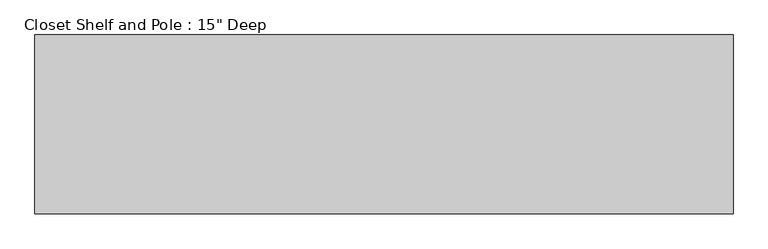
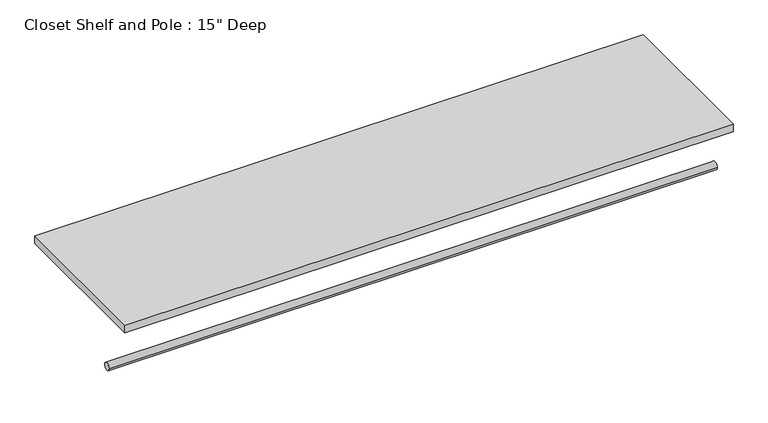
"""IFC4 building model written with IfcOpenShell, lengths in millimetres: proxy geometry."""

import ifcopenshell
import ifcopenshell.guid

model = None  # the IFC model being written
_history = None  # IfcOwnerHistory: only IFC2X3 demands one
_inside = {}  # id of a spatial element -> (the spatial element, [elements in it])
_under = {}  # id of a project, library or spatial element -> (it, [spatial elements below it])
_declared = {}  # id of a project -> (the project, [libraries it declares])
_typed = {}  # id of a type object -> (the type object, [elements of that type])
_made_of = {}  # id of a material, layer set ... -> (it, [elements and type objects made of it])


def new_model(schema):
    """Start an empty IFC model of exactly this schema.

    Asked for "IFC4X3", IfcOpenShell would pick the latest addendum, in which some entities
    have other attributes; the version numbers below select the first issue.
    IFC2X3 requires an IfcOwnerHistory on every rooted entity: one is made here for all.
    """
    global model, _history
    if schema == "IFC4X3":
        model = ifcopenshell.file(schema_version=(4, 3, 0, 0))
    else:
        model = ifcopenshell.file(schema=schema)
    _inside.clear()
    _under.clear()
    _declared.clear()
    _typed.clear()
    _made_of.clear()
    _history = None
    if model.schema == "IFC2X3":
        org = make("IfcOrganization", Name="unknown")
        user = make(
            "IfcPersonAndOrganization",
            ThePerson=make("IfcPerson", FamilyName="unknown"),
            TheOrganization=org,
        )
        app = make(
            "IfcApplication",
            ApplicationDeveloper=org,
            Version="unknown",
            ApplicationFullName="unknown",
            ApplicationIdentifier="unknown",
        )
        _history = make(
            "IfcOwnerHistory",
            OwningUser=user,
            OwningApplication=app,
            ChangeAction="ADDED",
            CreationDate=0,
        )
    return model


def make(cls, **values):
    """One entity of the class cls with the attributes given. An attribute that is None is left unset."""
    return model.create_entity(
        cls, **{name: value for name, value in values.items() if value is not None}
    )


def rooted(cls, **values):
    """An entity with a GlobalId (a new one), such as an element, a storey or a relation."""
    return make(cls, GlobalId=ifcopenshell.guid.new(), OwnerHistory=_history, **values)


def si_unit(unit_type, name, prefix=None):
    """IfcSIUnit, for example si_unit("LENGTHUNIT", "METRE", prefix="MILLI")."""
    return make("IfcSIUnit", UnitType=unit_type, Prefix=prefix, Name=name)


def assignment(units):
    """IfcUnitAssignment: the units of a project."""
    return None if units is None else make("IfcUnitAssignment", Units=units)


def point(xyz):
    """IfcCartesianPoint."""
    return None if xyz is None else make("IfcCartesianPoint", Coordinates=xyz)


def direction(xyz):
    """IfcDirection."""
    return None if xyz is None else make("IfcDirection", DirectionRatios=xyz)


def frame(location, z_axis=None, x_axis=None):
    """IfcAxis2Placement3D, a coordinate frame: its origin and axes. An axis left out is left unset."""
    return make(
        "IfcAxis2Placement3D",
        Location=point(location),
        Axis=direction(z_axis),
        RefDirection=direction(x_axis),
    )


def frame_2d(location, x_axis=None):
    """IfcAxis2Placement2D, a coordinate frame in the plane: its origin and x axis."""
    return make(
        "IfcAxis2Placement2D", Location=point(location), RefDirection=direction(x_axis)
    )


def origin():
    """The frame at (0, 0, 0) with its axes left unset."""
    return frame((0.0, 0.0, 0.0))


def place(relative_to, where):
    """IfcLocalPlacement: puts the frame where relative to a parent placement (None: the world)."""
    return make(
        "IfcLocalPlacement", PlacementRelTo=relative_to, RelativePlacement=where
    )


def context(
    kind, dimensions, precision=None, world=None, true_north=None, identifier=None
):
    """IfcGeometricRepresentationContext, for example the 3D "Model" context."""
    return make(
        "IfcGeometricRepresentationContext",
        ContextIdentifier=identifier,
        ContextType=kind,
        CoordinateSpaceDimension=dimensions,
        Precision=precision,
        WorldCoordinateSystem=world,
        TrueNorth=true_north,
    )


def project(units=None, contexts=None):
    """IfcProject with its units and contexts."""
    return rooted(
        "IfcProject",
        Name="project",
        RepresentationContexts=contexts,
        UnitsInContext=assignment(units),
    )


def spatial(cls, under=None, at=None, **own):
    """A site, building, storey or space (cls), placed at a placement, below another one or the project."""
    s = rooted(cls, ObjectPlacement=at, **own)
    if under is not None:
        _under.setdefault(under.id(), (under, []))[1].append(s)
    return s


def polyline(points):
    """IfcPolyline through the points."""
    return make("IfcPolyline", Points=[point(p) for p in points])


def circle_curve(where, radius):
    """IfcCircle in the frame where."""
    return make("IfcCircle", Position=where, Radius=radius)


def trimmed(basis, trim1, trim2, sense, master):
    """IfcTrimmedCurve: the piece of a basis curve between two trims."""
    return make(
        "IfcTrimmedCurve",
        BasisCurve=basis,
        Trim1=trim1,
        Trim2=trim2,
        SenseAgreement=sense,
        MasterRepresentation=master,
    )


def segment(curve, same_sense, transition):
    """IfcCompositeCurveSegment."""
    return make(
        "IfcCompositeCurveSegment",
        Transition=transition,
        SameSense=same_sense,
        ParentCurve=curve,
    )


def composite_curve(segments, self_intersect=None):
    """IfcCompositeCurve: segments joined end to end."""
    return make("IfcCompositeCurve", Segments=segments, SelfIntersect=self_intersect)


def outline(outer, holes=None, kind="AREA"):
    """IfcArbitraryClosedProfileDef: a profile drawn as a closed curve; with holes, ...WithVoids."""
    if holes is None:
        return make("IfcArbitraryClosedProfileDef", ProfileType=kind, OuterCurve=outer)
    return make(
        "IfcArbitraryProfileDefWithVoids",
        ProfileType=kind,
        OuterCurve=outer,
        InnerCurves=holes,
    )


def extrude(swept, where, along, depth):
    """IfcExtrudedAreaSolid: the profile swept, set in the frame where, extruded along a direction by depth."""
    return make(
        "IfcExtrudedAreaSolid",
        SweptArea=swept,
        Position=where,
        ExtrudedDirection=direction(along),
        Depth=depth,
    )


def shape(context_of_items, identifier, shape_type, items):
    """IfcShapeRepresentation: the items that make up one representation, for example the "Body"."""
    return make(
        "IfcShapeRepresentation",
        ContextOfItems=context_of_items,
        RepresentationIdentifier=identifier,
        RepresentationType=shape_type,
        Items=items,
    )


def source(mapping_origin, context_of_items, identifier, shape_type, items):
    """IfcRepresentationMap: a shape defined once, which mapped items show again and again."""
    return make(
        "IfcRepresentationMap",
        MappingOrigin=mapping_origin,
        MappedRepresentation=shape(context_of_items, identifier, shape_type, items),
    )


def transform(
    local_origin,
    x_axis=None,
    y_axis=None,
    z_axis=None,
    scale=None,
    scale2=None,
    scale3=None,
    uniform=True,
):
    """IfcCartesianTransformationOperator3D, or its non-uniform kind. x_axis, y_axis, z_axis: its Axis1, 2, 3."""
    if uniform:
        return make(
            "IfcCartesianTransformationOperator3D",
            Axis1=direction(x_axis),
            Axis2=direction(y_axis),
            LocalOrigin=point(local_origin),
            Scale=scale,
            Axis3=direction(z_axis),
        )
    return make(
        "IfcCartesianTransformationOperator3DnonUniform",
        Axis1=direction(x_axis),
        Axis2=direction(y_axis),
        LocalOrigin=point(local_origin),
        Scale=scale,
        Axis3=direction(z_axis),
        Scale2=scale2,
        Scale3=scale3,
    )


def mapped(mapping_source, mapping_target):
    """IfcMappedItem: shows the shape of a source again, moved by a transform."""
    return make(
        "IfcMappedItem", MappingSource=mapping_source, MappingTarget=mapping_target
    )


def made_of(thing, what):
    """Note that an element or type object is made of a material, layer set ...; save() writes the relation."""
    if what is not None:
        _made_of.setdefault(what.id(), (what, []))[1].append(thing)
    return thing


def element(
    cls,
    number,
    at=None,
    inside=None,
    cuts=None,
    type_object=None,
    material=None,
    context=None,
    identifier="Body",
    shape_type=None,
    held_by="IfcProductDefinitionShape",
    body=None,
    shapes=None,
    **own,
):
    """One element of the class cls, such as IfcWall. Its Tag is "e" and its number.

    at: its placement. inside: the storey or other place that contains it. cuts: it is an
    opening in that element (IfcRelVoidsElement). A single representation is given by context,
    identifier, shape_type and body (its items); several are given by shapes. held_by: the class
    of the entity that holds the representations. save() writes the other relations.
    """
    e = rooted(cls, Tag="e%d" % number, ObjectPlacement=at, **own)
    if body is not None:
        shapes = [shape(context, identifier, shape_type, body)]
    if shapes is not None:
        e.Representation = make(held_by, Representations=shapes)
    if inside is not None:
        _inside.setdefault(inside.id(), (inside, []))[1].append(e)
    if cuts is not None:
        rooted(
            "IfcRelVoidsElement", RelatingBuildingElement=cuts, RelatedOpeningElement=e
        )
    if type_object is not None:
        _typed.setdefault(type_object.id(), (type_object, []))[1].append(e)
    return made_of(e, material)


def aggregate(whole, parts):
    """IfcRelAggregates: a whole, such as a stair, and the parts it consists of."""
    return rooted("IfcRelAggregates", RelatingObject=whole, RelatedObjects=parts)


def save(model, path):
    """Write the relations noted so far, then the file.

    IfcRelAggregates (storeys below a building ...), IfcRelContainedInSpatialStructure (elements
    in a storey), IfcRelDefinesByType, IfcRelAssociatesMaterial and IfcRelDeclares: one each for
    every whole, place, type object, material and project.
    """
    for whole, parts in _under.values():
        aggregate(whole, parts)
    for where, things in _inside.values():
        rooted(
            "IfcRelContainedInSpatialStructure",
            RelatedElements=things,
            RelatingStructure=where,
        )
    for kind, things in _typed.values():
        rooted("IfcRelDefinesByType", RelatedObjects=things, RelatingType=kind)
    for what, things in _made_of.values():
        rooted("IfcRelAssociatesMaterial", RelatedObjects=things, RelatingMaterial=what)
    for by, libraries in _declared.values():
        rooted("IfcRelDeclares", RelatingContext=by, RelatedDefinitions=libraries)
    model.write(path)


def proxy_739969ea(model_context):
    return source(origin(), model_context, "Body", "SweptSolid", [
        extrude(outline(composite_curve([segment(trimmed(circle_curve(frame_2d((-304.8, 1676.4)), 9.525), [point((-314.325, 1676.4))], [point((-295.275, 1676.4))], False, "CARTESIAN"), True, "CONTINUOUS"), segment(trimmed(circle_curve(frame_2d((-304.8, 1676.4)), 9.525), [point((-295.275, 1676.4))], [point((-314.325, 1676.4))], False, "CARTESIAN"), True, "CONTINUOUS")], self_intersect=False)), frame((0.0, 0.0, 0.0), z_axis=(1.0, 0.0, 0.0), x_axis=(0.0, 1.0, 0.0)), (0.0, 0.0, 1.0), 1485.9),
        extrude(outline(polyline([(1485.9, 0.0), (1485.9, -381.0), (0.0, -381.0), (0.0, 0.0), (1485.9, 0.0)])), frame((0.0, 0.0, 1809.75), z_axis=(0.0, 0.0, 1.0), x_axis=(1.0, 0.0, 0.0)), (0.0, 0.0, 1.0), 19.05),
    ])


if __name__ == "__main__":
    model = new_model("IFC4")
    model_context = context("Model", 3, world=origin())
    ifc_project = project(units=[si_unit("LENGTHUNIT", "METRE", prefix="MILLI")], contexts=[model_context])
    site = spatial("IfcSite", under=ifc_project)
    building = spatial("IfcBuilding", under=site)
    placement = place(None, origin())
    proxy_shape = proxy_739969ea(model_context)
    element("IfcBuildingElementProxy", 1, Name="Closet Shelf and Pole : 15\" Deep", ObjectType="Closet Shelf and Pole : 15\" Deep", at=placement, inside=building, context=model_context, shape_type="MappedRepresentation", body=[
        mapped(proxy_shape, transform((0.0, 0.0, 0.0), x_axis=(1.0, 0.0, 0.0), y_axis=(0.0, 1.0, 0.0), z_axis=(0.0, 0.0, 1.0))),
    ])
    save(model, "model.ifc")
